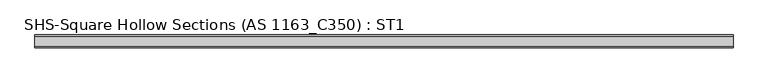
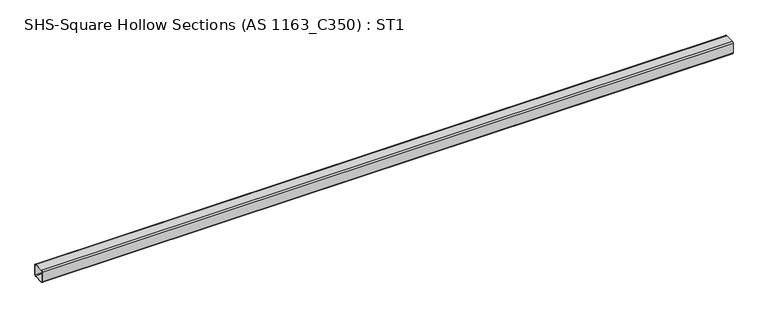
"""IFC4 building model written with IfcOpenShell, lengths in millimetres: beam geometry, SHS-Square Hollow Sections (AS 1163_C350) : ST1."""

from ifc_helpers import new_model, si_unit, point, frame, frame_2d, origin, place, context, project, spatial, polyline, circle_curve, trimmed, segment, composite_curve, outline, extrude, source, transform, mapped, element, save


def shs_square_hollow_sections_as_1163_c350_st1_c8499e61(model_context):
    return source(origin(), model_context, "Body", "SweptSolid", [
        extrude(outline(composite_curve([segment(polyline([(50.0, 40.0), (50.0, -40.0)]), True, "CONTINUOUS"), segment(trimmed(circle_curve(frame_2d((40.0, -40.0)), 10.0), [point((50.0, -40.0))], [point((40.0, -50.0))], False, "CARTESIAN"), True, "CONTINUOUS"), segment(polyline([(40.0, -50.0), (-40.0, -50.0)]), True, "CONTINUOUS"), segment(trimmed(circle_curve(frame_2d((-40.0, -40.0)), 10.0), [point((-40.0, -50.0))], [point((-50.0, -40.0))], False, "CARTESIAN"), True, "CONTINUOUS"), segment(polyline([(-50.0, -40.0), (-50.0, 40.0)]), True, "CONTINUOUS"), segment(trimmed(circle_curve(frame_2d((-40.0, 40.0)), 10.0), [point((-50.0, 40.0))], [point((-40.0, 50.0))], False, "CARTESIAN"), True, "CONTINUOUS"), segment(polyline([(-40.0, 50.0), (40.0, 50.0)]), True, "CONTINUOUS"), segment(trimmed(circle_curve(frame_2d((40.0, 40.0)), 10.0), [point((40.0, 50.0))], [point((50.0, 40.0))], False, "CARTESIAN"), True, "CONTINUOUS")], self_intersect=False), holes=[composite_curve([segment(trimmed(circle_curve(frame_2d((-40.0, 40.0)), 6.0), [point((-40.0, 46.0))], [point((-46.0, 40.0))], True, "CARTESIAN"), True, "CONTINUOUS"), segment(polyline([(-46.0, 40.0), (-46.0, -40.0)]), True, "CONTINUOUS"), segment(trimmed(circle_curve(frame_2d((-40.0, -40.0)), 6.0), [point((-46.0, -40.0))], [point((-40.0, -46.0))], True, "CARTESIAN"), True, "CONTINUOUS"), segment(polyline([(-40.0, -46.0), (40.0, -46.0)]), True, "CONTINUOUS"), segment(trimmed(circle_curve(frame_2d((40.0, -40.0)), 6.0), [point((40.0, -46.0))], [point((46.0, -40.0))], True, "CARTESIAN"), True, "CONTINUOUS"), segment(polyline([(46.0, -40.0), (46.0, 40.0)]), True, "CONTINUOUS"), segment(trimmed(circle_curve(frame_2d((40.0, 40.0)), 6.0), [point((46.0, 40.0))], [point((40.0, 46.0))], True, "CARTESIAN"), True, "CONTINUOUS"), segment(polyline([(40.0, 46.0), (-40.0, 46.0)]), True, "CONTINUOUS")], self_intersect=False)]), frame((-2744.35, 0.0, 0.0), z_axis=(1.0, 0.0, 0.0), x_axis=(0.0, 1.0, 0.0)), (0.0, 0.0, 1.0), 5492.4),
    ])


if __name__ == "__main__":
    model = new_model("IFC4")
    model_context = context("Model", 3, world=origin())
    ifc_project = project(units=[si_unit("LENGTHUNIT", "METRE", prefix="MILLI")], contexts=[model_context])
    site = spatial("IfcSite", under=ifc_project)
    building = spatial("IfcBuilding", under=site)
    placement = place(None, origin())
    shs_square_hollow_sections_as_1163_c350_st1_shape = shs_square_hollow_sections_as_1163_c350_st1_c8499e61(model_context)
    element("IfcBeam", 1, ObjectType="SHS-Square Hollow Sections (AS 1163_C350) : ST1", at=placement, inside=building, context=model_context, shape_type="MappedRepresentation", body=[
        mapped(shs_square_hollow_sections_as_1163_c350_st1_shape, transform((0.0, 0.0, 0.0), x_axis=(1.0, 0.0, 0.0), y_axis=(0.0, 1.0, 0.0), z_axis=(0.0, 0.0, 1.0))),
    ])
    save(model, "model.ifc")
